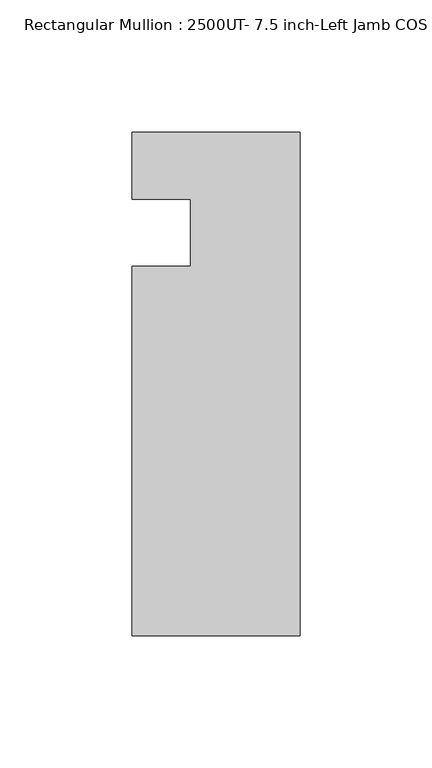
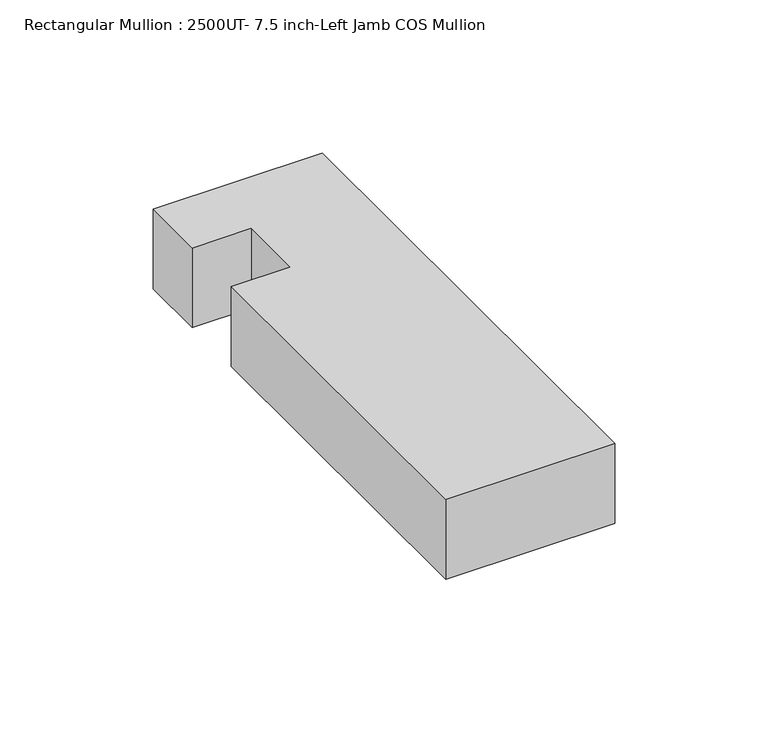
"""IFC4 building model written with IfcOpenShell, lengths in millimetres: member geometry, Rectangular Mullion : 2500UT- 7.5 inch-Left Jamb COS Mullion."""

from ifc_helpers import new_model, si_unit, frame, origin, place, context, project, spatial, polyline, outline, extrude, source, transform, mapped, element, save


def rectangular_mullion_2500ut_7_5_inch_left_jamb_cos_mullion_d4d49ef4(model_context):
    return source(origin(), model_context, "Body", "SweptSolid", [
        extrude(outline(polyline([(31.75, -152.399995), (-31.75, -152.399995), (-31.75, -12.7), (-9.525, -12.7), (-9.525, 12.7309282), (-31.75, 12.7309282), (-31.75, 38.1), (31.75, 38.1), (31.75, -152.399995)])), frame((0.0, 0.0, -31.75), z_axis=(0.0, 0.0, 1.0), x_axis=(1.0, 0.0, 0.0)), (0.0, 0.0, 1.0), 31.75),
    ])


if __name__ == "__main__":
    model = new_model("IFC4")
    model_context = context("Model", 3, world=origin())
    ifc_project = project(units=[si_unit("LENGTHUNIT", "METRE", prefix="MILLI")], contexts=[model_context])
    site = spatial("IfcSite", under=ifc_project)
    building = spatial("IfcBuilding", under=site)
    placement = place(None, origin())
    rectangular_mullion_2500ut_7_5_inch_left_jamb_cos_mullion_shape = rectangular_mullion_2500ut_7_5_inch_left_jamb_cos_mullion_d4d49ef4(model_context)
    element("IfcMember", 1, ObjectType="Rectangular Mullion : 2500UT- 7.5 inch-Left Jamb COS Mullion", at=placement, inside=building, context=model_context, shape_type="MappedRepresentation", body=[
        mapped(rectangular_mullion_2500ut_7_5_inch_left_jamb_cos_mullion_shape, transform((0.0, 0.0, 0.0), x_axis=(1.0, 0.0, 0.0), y_axis=(0.0, 1.0, 0.0), z_axis=(0.0, 0.0, 1.0))),
    ])
    save(model, "model.ifc")
